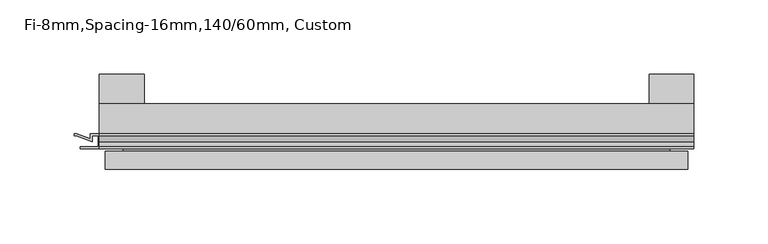
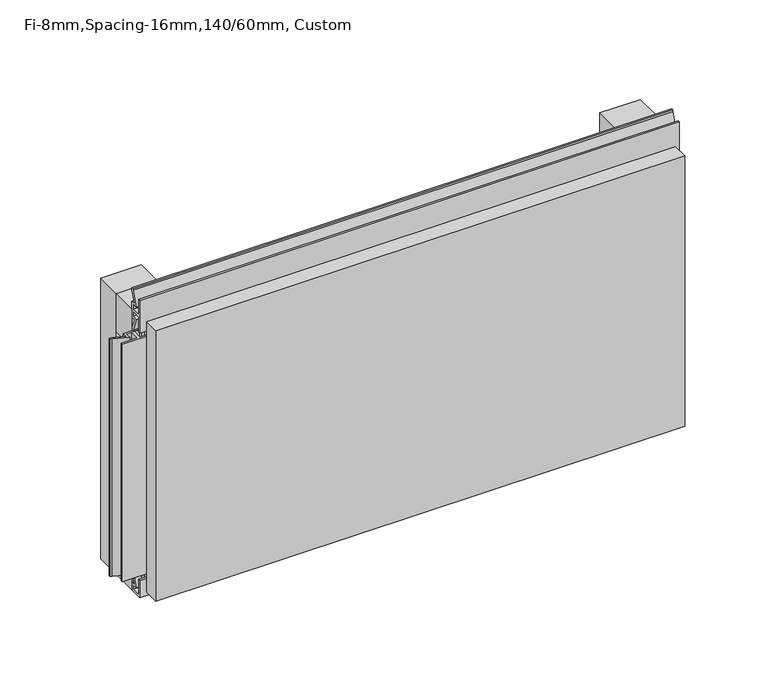
"""IFC4 building model written with IfcOpenShell, lengths in millimetres: plate geometry, Fi-8mm,Spacing-16mm,140/60mm, Custom."""

from ifc_helpers import new_model, si_unit, frame, origin, origin_with_axes, place, context, project, spatial, polyline, outline, extrude, faceted_brep, source, transform, mapped, element, save


def fi_8mm_spacing_16mm_140_60mm_custom_b70e1f76(model_context):
    return source(origin(), model_context, "Body", "SolidModel", [
        extrude(outline(polyline([(-200.0, -40.0), (-200.0, -20.0), (200.0, -20.0), (200.0, -40.0), (-200.0, -40.0)])), frame((0.0, 0.0, 190.0), z_axis=(0.0, 0.0, 1.0), x_axis=(1.0, 0.0, 0.0)), (0.0, 0.0, 1.0), 30.0),
        extrude(outline(polyline([(-200.0, -40.0), (-200.0, -20.0), (200.0, -20.0), (200.0, -40.0), (-200.0, -40.0)])), origin_with_axes(), (0.0, 0.0, 1.0), 30.0),
        extrude(outline(polyline([(170.0, 0.0), (200.0, 0.0), (200.0, -20.0), (170.0, -20.0), (170.0, 0.0)])), origin_with_axes(), (0.0, 0.0, 1.0), 220.0),
        extrude(outline(polyline([(-170.0, 0.0), (-170.0, -20.0), (-200.0, -20.0), (-200.0, 0.0), (-170.0, 0.0)])), origin_with_axes(), (0.0, 0.0, 1.0), 220.0),
        extrude(outline(polyline([(-40.0, 6.299084), (-40.0, 0.0), (-50.1, 0.0), (-50.1, 13.4156807), (-48.7, 13.4156807), (-48.7, 1.4156807), (-41.4, 1.4156807), (-41.4, 4.899084), (-45.5140545, 4.899084), (-41.4553267, 15.5703394), (-41.4553267, 22.991548), (-40.0553267, 22.991548), (-40.0553267, 15.3558599), (-43.5, 6.299084), (-40.0, 6.299084)])), frame((-200.0, 0.0, 0.0), z_axis=(1.0, 0.0, 0.0), x_axis=(0.0, 1.0, 0.0)), (0.0, 0.0, 1.0), 400.0),
        extrude(outline(polyline([(-200.899084, -48.7), (-200.899084, -41.4), (-204.899084, -41.4), (-204.899084, -45.5140545), (-215.5703394, -41.4553267), (-216.9558599, -41.4553267), (-216.9558599, -40.0553267), (-215.3558599, -40.0553267), (-206.299084, -43.5), (-206.299084, -40.0), (-193.700916, -40.0), (-193.700916, -43.5), (-184.6441401, -40.0553267), (-183.0441401, -40.0553267), (-183.0441401, -41.4553267), (-184.4296606, -41.4553267), (-195.100916, -45.5140545), (-195.100916, -41.4), (-199.100916, -41.4), (-199.100916, -48.7), (-187.100916, -48.7), (-187.100916, -50.1), (-212.899084, -50.1), (-212.899084, -48.7), (-200.899084, -48.7)])), frame((0.0, 0.0, 16.9558599), z_axis=(0.0, 0.0, 1.0), x_axis=(1.0, 0.0, 0.0)), (0.0, 0.0, 1.0), 186.0882802),
        extrude(outline(polyline([(-48.7, 220.899084), (-41.4, 220.899084), (-41.4, 224.899084), (-45.5140545, 224.899084), (-41.4553267, 235.5703394), (-41.4553267, 236.9558599), (-40.0553267, 236.9558599), (-40.0553267, 235.3558599), (-43.5, 226.299084), (-40.0, 226.299084), (-40.0, 213.700916), (-43.5, 213.700916), (-40.0553267, 204.6441401), (-40.0553267, 203.0441401), (-41.4553267, 203.0441401), (-41.4553267, 204.4296606), (-45.5140545, 215.100916), (-41.4, 215.100916), (-41.4, 219.100916), (-48.7, 219.100916), (-48.7, 207.100916), (-50.1, 207.100916), (-50.1, 232.899084), (-48.7, 232.899084), (-48.7, 220.899084)])), frame((-200.0, 0.0, 0.0), z_axis=(1.0, 0.0, 0.0), x_axis=(0.0, 1.0, 0.0)), (0.0, 0.0, 1.0), 400.0),
        faceted_brep([(196.0, -45.9, 216.0), (-196.0, -45.9, 216.0), (-196.0, -48.7, 216.0), (196.0, -48.7, 216.0), (-196.0, -63.9, 216.0), (196.0, -63.9, 216.0), (196.0, -51.9, 216.0), (-196.0, -51.9, 216.0), (-196.0, -45.9, 4.0), (196.0, -45.9, 4.0), (196.0, -48.7, 4.0), (-196.0, -48.7, 4.0), (196.0, -63.9, 4.0), (-196.0, -63.9, 4.0), (-196.0, -51.9, 4.0), (196.0, -51.9, 4.0), (184.0, -51.9, 204.0), (184.0, -51.9, 16.0), (184.0, -48.7, 16.0), (184.0, -48.7, 204.0), (-184.0, -51.9, 16.0), (-184.0, -48.7, 16.0), (-184.0, -51.9, 204.0), (-184.0, -48.7, 204.0)], [[[0, 1, 2, 3]], [[4, 5, 6, 7]], [[8, 9, 10, 11]], [[12, 13, 14, 15]], [[1, 0, 9, 8]], [[1, 8, 11, 2]], [[13, 4, 7, 14]], [[5, 4, 13, 12]], [[9, 0, 3, 10]], [[5, 12, 15, 6]], [[16, 17, 18, 19]], [[18, 17, 20, 21]], [[21, 20, 22, 23]], [[16, 19, 23, 22]], [[7, 6, 15, 14], [17, 16, 22, 20]], [[3, 2, 11, 10], [19, 18, 21, 23]]]),
    ])


if __name__ == "__main__":
    model = new_model("IFC4")
    model_context = context("Model", 3, world=origin())
    ifc_project = project(units=[si_unit("LENGTHUNIT", "METRE", prefix="MILLI")], contexts=[model_context])
    site = spatial("IfcSite", under=ifc_project)
    building = spatial("IfcBuilding", under=site)
    placement = place(None, origin())
    fi_8mm_spacing_16mm_140_60mm_custom_shape = fi_8mm_spacing_16mm_140_60mm_custom_b70e1f76(model_context)
    element("IfcPlate", 1, ObjectType="Fi-8mm,Spacing-16mm,140/60mm, Custom", at=placement, inside=building, context=model_context, shape_type="MappedRepresentation", body=[
        mapped(fi_8mm_spacing_16mm_140_60mm_custom_shape, transform((0.0, 0.0, 0.0), x_axis=(1.0, 0.0, 0.0), y_axis=(0.0, 1.0, 0.0), z_axis=(0.0, 0.0, 1.0))),
    ])
    save(model, "model.ifc")
